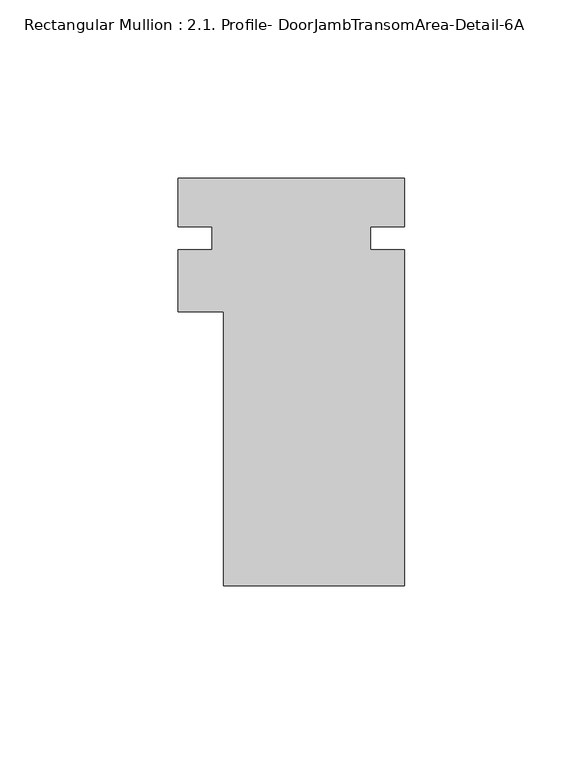
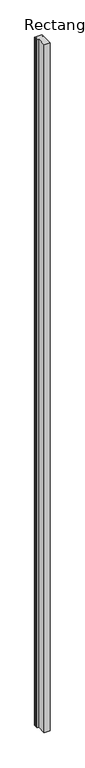
"""IFC4 building model written with IfcOpenShell, lengths in millimetres: member geometry, Rectangular Mullion : 2.1. Profile- DoorJambTransomArea-Detail-6A."""

from ifc_helpers import new_model, si_unit, frame, origin, place, context, project, spatial, polyline, outline, extrude, source, transform, mapped, element, save


def rectangular_mullion_2_1_profile_doorjambtransomarea_detail_a74f7c53(model_context):
    return source(origin(), model_context, "Body", "SweptSolid", [
        extrude(outline(polyline([(25.4, 44.3904687), (15.875, 44.3904687), (15.875, 38.0404687), (25.4, 38.0404687), (25.4, -56.2570313), (-25.4, -56.2570313), (-25.4, 20.5779687), (-38.0999959, 20.5779687), (-38.0999959, 38.0404687), (-28.5749959, 38.0404687), (-28.5749959, 44.3904687), (-38.0999959, 44.3904687), (-38.0999959, 58.0429687), (25.4, 58.0429688), (25.4, 44.3904687)])), frame((0.0, 0.0, -6096.0), z_axis=(0.0, 0.0, 1.0), x_axis=(1.0, 0.0, 0.0)), (0.0, 0.0, 1.0), 6096.0),
    ])


if __name__ == "__main__":
    model = new_model("IFC4")
    model_context = context("Model", 3, world=origin())
    ifc_project = project(units=[si_unit("LENGTHUNIT", "METRE", prefix="MILLI")], contexts=[model_context])
    site = spatial("IfcSite", under=ifc_project)
    building = spatial("IfcBuilding", under=site)
    placement = place(None, origin())
    rectangular_mullion_2_1_profile_doorjambtransomarea_detail_shape = rectangular_mullion_2_1_profile_doorjambtransomarea_detail_a74f7c53(model_context)
    element("IfcMember", 1, ObjectType="Rectangular Mullion : 2.1. Profile- DoorJambTransomArea-Detail-6A", at=placement, inside=building, context=model_context, shape_type="MappedRepresentation", body=[
        mapped(rectangular_mullion_2_1_profile_doorjambtransomarea_detail_shape, transform((0.0, 0.0, 0.0), x_axis=(1.0, 0.0, 0.0), y_axis=(0.0, 1.0, 0.0), z_axis=(0.0, 0.0, 1.0))),
    ])
    save(model, "model.ifc")
